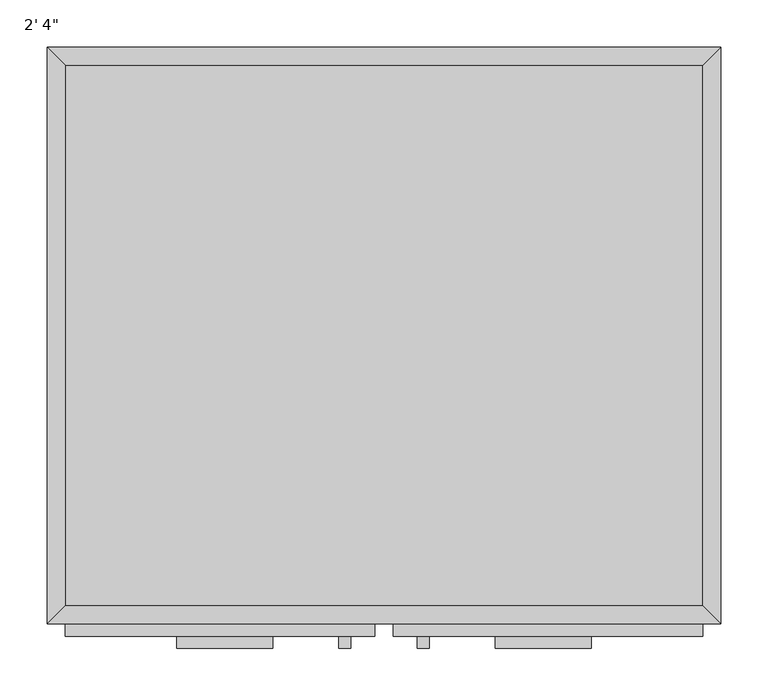
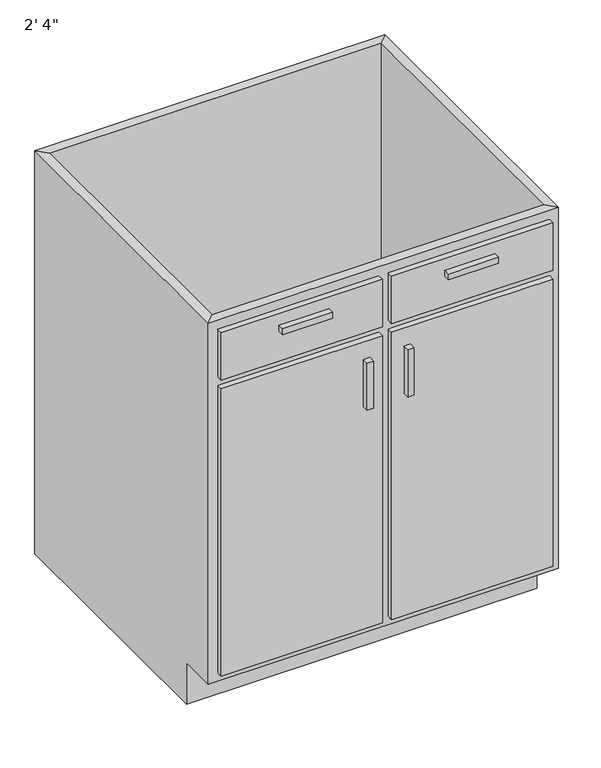
"""IFC4 building model written with IfcOpenShell, lengths in millimetres: furniture geometry."""

from ifc_helpers import new_model, si_unit, frame, origin, place, context, project, spatial, polyline, outline, extrude, faceted_brep, source, transform, mapped, element, save


def furniture_b5c34f83(model_context):
    return source(origin(), model_context, "Body", "SolidModel", [
        faceted_brep([(355.2877049, -590.55, 863.6), (355.2877049, -590.55, 88.9), (-317.8122951, -590.55, 88.9), (-317.8122951, -590.55, 863.6), (-336.8622951, -609.6, 863.6), (374.3377049, -609.6, 863.6), (-336.8622951, -609.6, 88.9), (374.3377049, -609.6, 88.9), (-317.8122951, -533.4, 88.9), (-317.8122951, -19.05, 88.9), (-317.8122951, -19.05, 863.6), (-336.8622951, 0.0, 863.6), (-336.8622951, 0.0, 0.0), (-336.8622951, -533.4, 0.0), (-336.8622951, -533.4, 88.9), (355.2877049, -19.05, 88.9), (355.2877049, -19.05, 863.6), (374.3377049, 0.0, 863.6), (374.3377049, 0.0, 0.0), (355.2877049, -533.4, 88.9), (374.3377049, -533.4, 88.9), (374.3377049, -533.4, 0.0)], [[[0, 1, 2, 3]], [[0, 3, 4, 5]], [[5, 4, 6, 7]], [[2, 1, 7, 6]], [[3, 2, 8, 9, 10]], [[4, 3, 10, 11]], [[6, 4, 11, 12, 13, 14]], [[2, 6, 14, 8]], [[10, 9, 15, 16]], [[11, 10, 16, 17]], [[12, 11, 17, 18]], [[1, 0, 16, 15, 19]], [[0, 5, 17, 16]], [[5, 7, 20, 21, 18, 17]], [[7, 1, 19, 20]], [[8, 19, 15, 9]], [[18, 21, 13, 12]], [[13, 21, 20, 19, 8, 14]]]),
        extrude(outline(polyline([(-98.7372951, -635.0), (-200.3372951, -635.0), (-200.3372951, -622.3), (-98.7372951, -622.3), (-98.7372951, -635.0)])), frame((0.0, 0.0, 806.45), z_axis=(0.0, 0.0, 1.0), x_axis=(1.0, 0.0, 0.0)), (0.0, 0.0, 1.0), 12.7),
        extrude(outline(polyline([(237.8127049, -635.0), (136.2127049, -635.0), (136.2127049, -622.3), (237.8127049, -622.3), (237.8127049, -635.0)])), frame((0.0, 0.0, 806.45), z_axis=(0.0, 0.0, 1.0), x_axis=(1.0, 0.0, 0.0)), (0.0, 0.0, 1.0), 12.7),
        extrude(outline(polyline([(-16.1872951, -635.0), (-28.8872951, -635.0), (-28.8872951, -622.3), (-16.1872951, -622.3), (-16.1872951, -635.0)])), frame((0.0, 0.0, 584.2), z_axis=(0.0, 0.0, 1.0), x_axis=(1.0, 0.0, 0.0)), (0.0, 0.0, 1.0), 101.6),
        extrude(outline(polyline([(66.3627049, -635.0), (53.6627049, -635.0), (53.6627049, -622.3), (66.3627049, -622.3), (66.3627049, -635.0)])), frame((0.0, 0.0, 584.2), z_axis=(0.0, 0.0, 1.0), x_axis=(1.0, 0.0, 0.0)), (0.0, 0.0, 1.0), 101.6),
        extrude(outline(polyline([(355.2877049, -19.05), (355.2877049, -590.55), (-317.8122951, -590.55), (-317.8122951, -19.05), (355.2877049, -19.05)])), frame((0.0, 0.0, 88.9), z_axis=(0.0, 0.0, 1.0), x_axis=(1.0, 0.0, 0.0)), (0.0, 0.0, 1.0), 19.05),
        extrude(outline(polyline([(9.2127049, -622.3), (-317.8122951, -622.3), (-317.8122951, -609.6), (9.2127049, -609.6), (9.2127049, -622.3)])), frame((0.0, 0.0, 742.95), z_axis=(0.0, 0.0, 1.0), x_axis=(1.0, 0.0, 0.0)), (0.0, 0.0, 1.0), 101.6),
        extrude(outline(polyline([(355.2877049, -622.3), (28.2627049, -622.3), (28.2627049, -609.6), (355.2877049, -609.6), (355.2877049, -622.3)])), frame((0.0, 0.0, 742.95), z_axis=(0.0, 0.0, 1.0), x_axis=(1.0, 0.0, 0.0)), (0.0, 0.0, 1.0), 101.6),
        extrude(outline(polyline([(9.2127049, -622.3), (-317.8122951, -622.3), (-317.8122951, -609.6), (9.2127049, -609.6), (9.2127049, -622.3)])), frame((0.0, 0.0, 107.95), z_axis=(0.0, 0.0, 1.0), x_axis=(1.0, 0.0, 0.0)), (0.0, 0.0, 1.0), 615.95),
        extrude(outline(polyline([(355.2877049, -622.3), (28.2627049, -622.3), (28.2627049, -609.6), (355.2877049, -609.6), (355.2877049, -622.3)])), frame((0.0, 0.0, 107.95), z_axis=(0.0, 0.0, 1.0), x_axis=(1.0, 0.0, 0.0)), (0.0, 0.0, 1.0), 615.95),
    ])


if __name__ == "__main__":
    model = new_model("IFC4")
    model_context = context("Model", 3, world=origin())
    ifc_project = project(units=[si_unit("LENGTHUNIT", "METRE", prefix="MILLI")], contexts=[model_context])
    site = spatial("IfcSite", under=ifc_project)
    building = spatial("IfcBuilding", under=site)
    placement = place(None, origin())
    furniture_shape = furniture_b5c34f83(model_context)
    element("IfcFurniture", 1, ObjectType="2' 4\"", at=placement, inside=building, context=model_context, shape_type="MappedRepresentation", body=[
        mapped(furniture_shape, transform((0.0, 0.0, 0.0), x_axis=(1.0, 0.0, 0.0), y_axis=(0.0, 1.0, 0.0), z_axis=(0.0, 0.0, 1.0))),
    ])
    save(model, "model.ifc")
